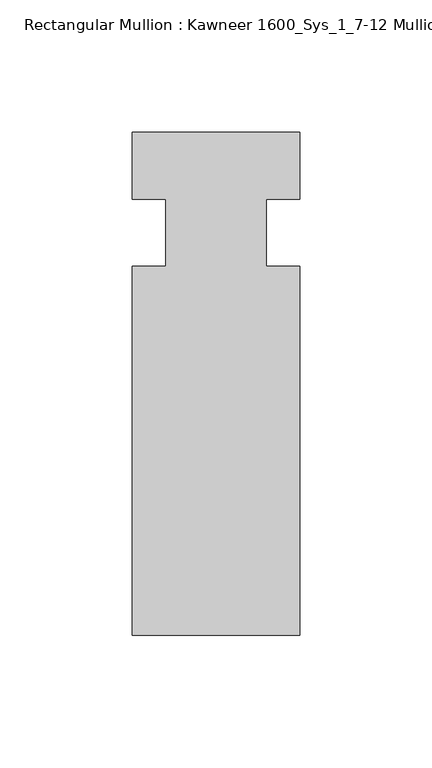
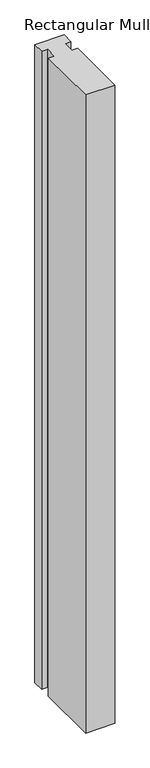
"""IFC4 building model written with IfcOpenShell, lengths in millimetres: member geometry, Rectangular Mullion : Kawneer 1600_Sys_1_7-12 Mullion_Vertical."""

from ifc_helpers import new_model, si_unit, frame, origin, place, context, project, spatial, polyline, outline, extrude, source, transform, mapped, element, save


def rectangular_mullion_kawneer_1600_sys_1_7_12_mullion_vertical_ac4a55c8(model_context):
    return source(origin(), model_context, "Body", "SweptSolid", [
        extrude(outline(polyline([(31.75, -152.4), (-31.75, -152.4), (-31.75, -12.7), (-19.05, -12.7), (-19.05, 12.7), (-31.75, 12.7), (-31.75, 38.1), (31.75, 38.1), (31.75, 12.7), (19.0482296, 12.7), (19.0482296, -12.7), (31.75, -12.7), (31.75, -152.4)])), frame((0.0, 0.0, -1463.04), z_axis=(0.0, 0.0, 1.0), x_axis=(1.0, 0.0, 0.0)), (0.0, 0.0, 1.0), 1463.04),
    ])


if __name__ == "__main__":
    model = new_model("IFC4")
    model_context = context("Model", 3, world=origin())
    ifc_project = project(units=[si_unit("LENGTHUNIT", "METRE", prefix="MILLI")], contexts=[model_context])
    site = spatial("IfcSite", under=ifc_project)
    building = spatial("IfcBuilding", under=site)
    placement = place(None, origin())
    rectangular_mullion_kawneer_1600_sys_1_7_12_mullion_vertical_shape = rectangular_mullion_kawneer_1600_sys_1_7_12_mullion_vertical_ac4a55c8(model_context)
    element("IfcMember", 1, ObjectType="Rectangular Mullion : Kawneer 1600_Sys_1_7-12 Mullion_Vertical", at=placement, inside=building, context=model_context, shape_type="MappedRepresentation", body=[
        mapped(rectangular_mullion_kawneer_1600_sys_1_7_12_mullion_vertical_shape, transform((0.0, 0.0, 0.0), x_axis=(1.0, 0.0, 0.0), y_axis=(0.0, 1.0, 0.0), z_axis=(0.0, 0.0, 1.0))),
    ])
    save(model, "model.ifc")
